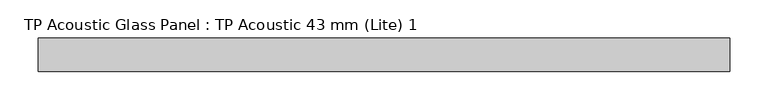
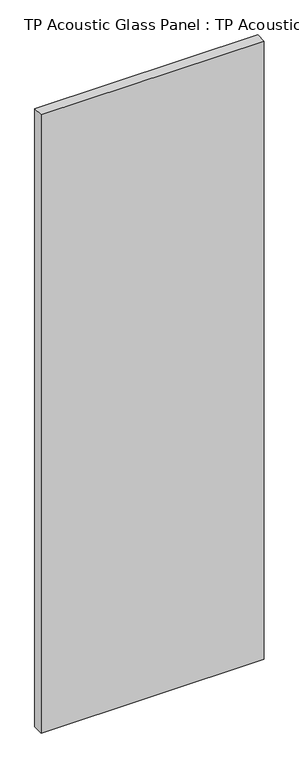
"""IFC4 building model written with IfcOpenShell, lengths in millimetres: plate geometry, TP Acoustic Glass Panel : TP Acoustic 43 mm (Lite) 1."""

from ifc_helpers import new_model, si_unit, origin, origin_with_axes, place, context, project, spatial, polyline, outline, extrude, source, transform, mapped, element, save


def tp_acoustic_glass_panel_tp_acoustic_43_mm_lite_1_a3aeb86e(model_context):
    return source(origin(), model_context, "Body", "SweptSolid", [
        extrude(outline(polyline([(449.0, -21.5), (-449.0, -21.5), (-449.0, 21.5), (449.0, 21.5), (449.0, -21.5)])), origin_with_axes(), (0.0, 0.0, 1.0), 2628.0),
    ])


if __name__ == "__main__":
    model = new_model("IFC4")
    model_context = context("Model", 3, world=origin())
    ifc_project = project(units=[si_unit("LENGTHUNIT", "METRE", prefix="MILLI")], contexts=[model_context])
    site = spatial("IfcSite", under=ifc_project)
    building = spatial("IfcBuilding", under=site)
    placement = place(None, origin())
    tp_acoustic_glass_panel_tp_acoustic_43_mm_lite_1_shape = tp_acoustic_glass_panel_tp_acoustic_43_mm_lite_1_a3aeb86e(model_context)
    element("IfcPlate", 1, ObjectType="TP Acoustic Glass Panel : TP Acoustic 43 mm (Lite) 1", at=placement, inside=building, context=model_context, shape_type="MappedRepresentation", body=[
        mapped(tp_acoustic_glass_panel_tp_acoustic_43_mm_lite_1_shape, transform((0.0, 0.0, 0.0), x_axis=(1.0, 0.0, 0.0), y_axis=(0.0, 1.0, 0.0), z_axis=(0.0, 0.0, 1.0))),
    ])
    save(model, "model.ifc")
